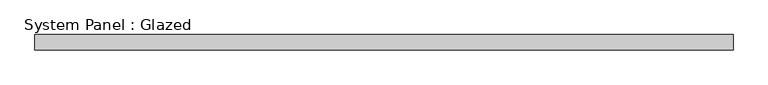
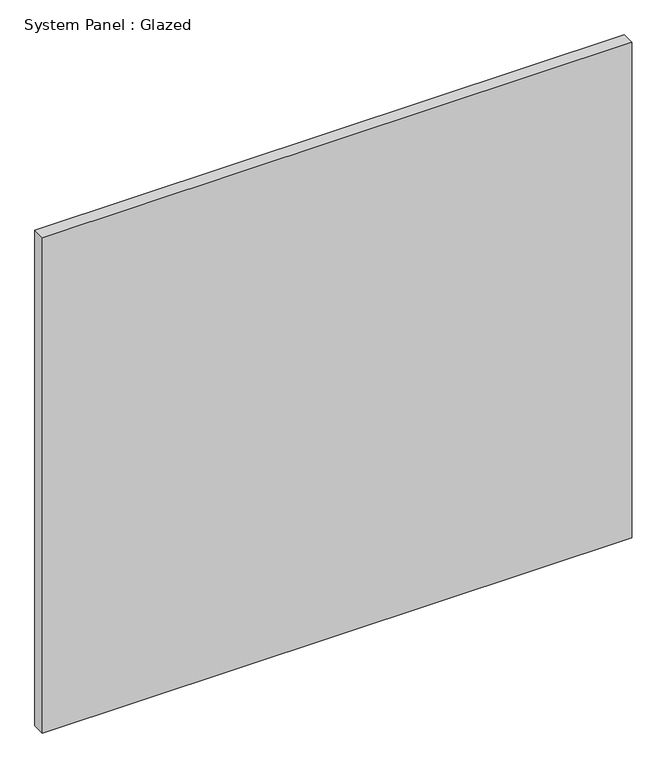
"""IFC4 building model written with IfcOpenShell, lengths in millimetres: plate geometry, System Panel : Glazed."""

from ifc_helpers import new_model, si_unit, origin, origin_with_axes, place, context, project, spatial, polyline, outline, extrude, source, transform, mapped, element, save


def system_panel_glazed_fa1d5910(model_context):
    return source(origin(), model_context, "Body", "SweptSolid", [
        extrude(outline(polyline([(2250.0, 50.0), (-2250.0, 50.0), (-2250.0, 150.0), (2250.0, 150.0), (2250.0, 50.0)])), origin_with_axes(), (0.0, 0.0, 1.0), 4000.0),
    ])


if __name__ == "__main__":
    model = new_model("IFC4")
    model_context = context("Model", 3, world=origin())
    ifc_project = project(units=[si_unit("LENGTHUNIT", "METRE", prefix="MILLI")], contexts=[model_context])
    site = spatial("IfcSite", under=ifc_project)
    building = spatial("IfcBuilding", under=site)
    placement = place(None, origin())
    system_panel_glazed_shape = system_panel_glazed_fa1d5910(model_context)
    element("IfcPlate", 1, ObjectType="System Panel : Glazed", at=placement, inside=building, context=model_context, shape_type="MappedRepresentation", body=[
        mapped(system_panel_glazed_shape, transform((0.0, 0.0, 0.0), x_axis=(1.0, 0.0, 0.0), y_axis=(0.0, 1.0, 0.0), z_axis=(0.0, 0.0, 1.0))),
    ])
    save(model, "model.ifc")
